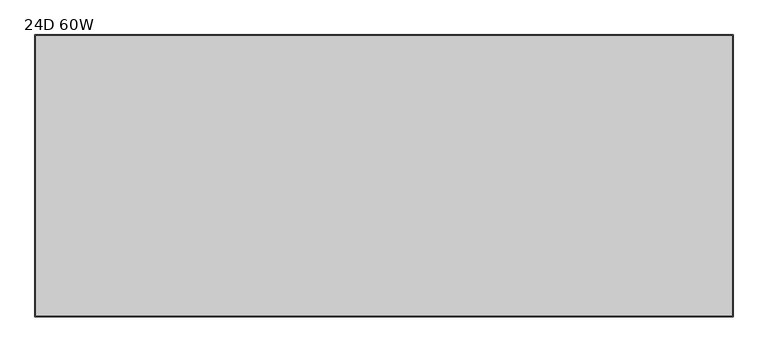
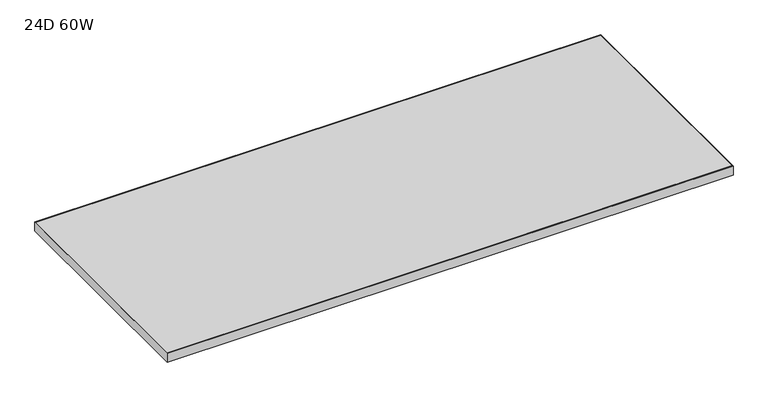
"""IFC4 building model written with IfcOpenShell, lengths in millimetres: furniture geometry, 24D 60W."""

from ifc_helpers import new_model, si_unit, frame, origin, place, context, project, spatial, polyline, outline, extrude, source, transform, mapped, element, save


def furniture_24d_60w_220d5def(model_context):
    return source(origin(), model_context, "Body", "SweptSolid", [
        extrude(outline(polyline([(1522.4125, -1.5875), (1522.4125, -614.3625), (1.5875, -614.3625), (1.5875, -1.5875), (1522.4125, -1.5875)])), frame((0.0, 0.0, 25.4), z_axis=(0.0, 0.0, 1.0), x_axis=(1.0, 0.0, 0.0)), (0.0, 0.0, 1.0), 25.4),
        extrude(outline(polyline([(0.0, 0.0), (1524.0, 0.0), (1524.0, -615.95), (0.0, -615.95), (0.0, 0.0)]), holes=[polyline([(1.5875, -614.3625), (1522.4125, -614.3625), (1522.4125, -1.5875), (1.5875, -1.5875), (1.5875, -614.3625)])]), frame((0.0, 0.0, 25.4), z_axis=(0.0, 0.0, 1.0), x_axis=(1.0, 0.0, 0.0)), (0.0, 0.0, 1.0), 25.4),
    ])


if __name__ == "__main__":
    model = new_model("IFC4")
    model_context = context("Model", 3, world=origin())
    ifc_project = project(units=[si_unit("LENGTHUNIT", "METRE", prefix="MILLI")], contexts=[model_context])
    site = spatial("IfcSite", under=ifc_project)
    building = spatial("IfcBuilding", under=site)
    placement = place(None, origin())
    furniture_24d_60w_shape = furniture_24d_60w_220d5def(model_context)
    element("IfcFurniture", 1, ObjectType="24D 60W", at=placement, inside=building, context=model_context, shape_type="MappedRepresentation", body=[
        mapped(furniture_24d_60w_shape, transform((0.0, 0.0, 0.0), x_axis=(1.0, 0.0, 0.0), y_axis=(0.0, 1.0, 0.0), z_axis=(0.0, 0.0, 1.0))),
    ])
    save(model, "model.ifc")
